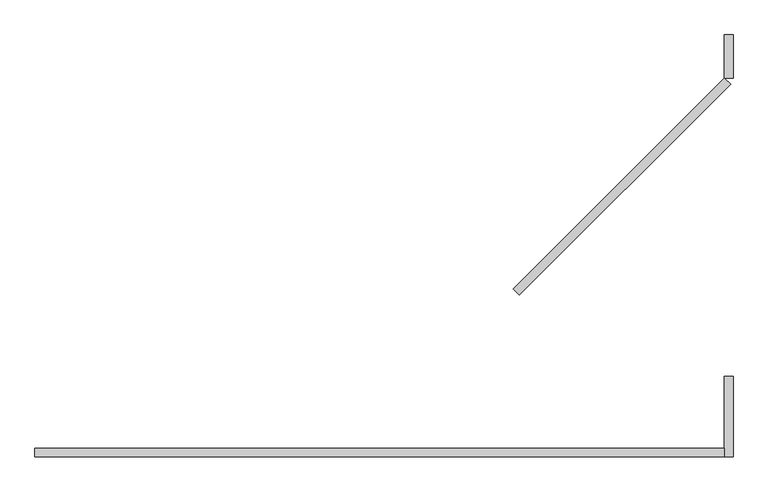
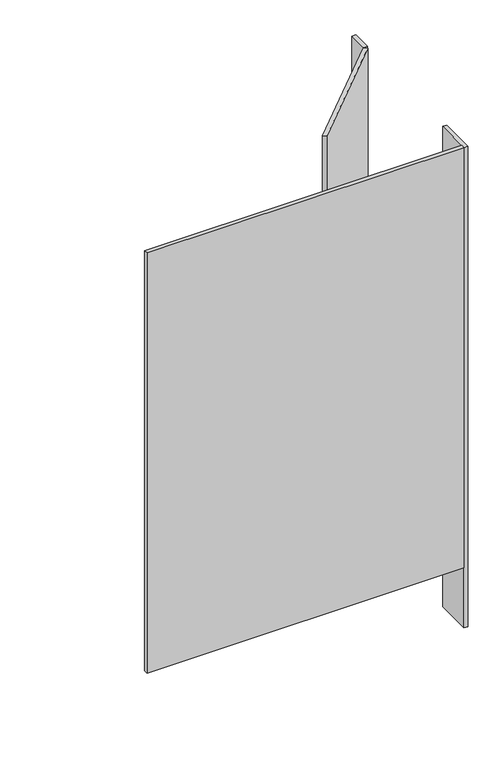
"""IFC4 building model written with IfcOpenShell, lengths in millimetres: proxy geometry."""

from ifc_helpers import new_model, si_unit, frame, origin, origin_with_axes, place, context, project, spatial, polyline, outline, extrude, source, transform, mapped, element, save


def generic_models_bc0544df(model_context):
    return source(origin(), model_context, "Body", "SweptSolid", [
        extrude(outline(polyline([(1070.4970659, -575.6937025), (1057.0266817, -562.2233183), (1524.0, -95.25), (1537.4703842, -108.7203842), (1070.4970659, -575.6937025)])), frame((0.0, 0.0, 304.8), z_axis=(0.0, 0.0, 1.0), x_axis=(1.0, 0.0, 0.0)), (0.0, 0.0, 1.0), 2133.6),
        extrude(outline(polyline([(0.0, -914.4), (1524.0, -914.4), (1524.0, -933.45), (0.0, -933.45), (0.0, -914.4)])), frame((0.0, 0.0, 304.8), z_axis=(0.0, 0.0, 1.0), x_axis=(1.0, 0.0, 0.0)), (0.0, 0.0, 1.0), 2133.6),
        extrude(outline(polyline([(1524.0, -95.25), (1524.0, 0.0), (1543.05, 0.0), (1543.05, -95.25), (1524.0, -95.25)])), frame((0.0, 0.0, 304.8), z_axis=(0.0, 0.0, 1.0), x_axis=(1.0, 0.0, 0.0)), (0.0, 0.0, 1.0), 2133.6),
        extrude(outline(polyline([(1524.0, -933.45), (1524.0, -755.65), (1543.05, -755.65), (1543.05, -933.45), (1524.0, -933.45)])), origin_with_axes(), (0.0, 0.0, 1.0), 2438.4),
    ])


if __name__ == "__main__":
    model = new_model("IFC4")
    model_context = context("Model", 3, world=origin())
    ifc_project = project(units=[si_unit("LENGTHUNIT", "METRE", prefix="MILLI")], contexts=[model_context])
    site = spatial("IfcSite", under=ifc_project)
    building = spatial("IfcBuilding", under=site)
    placement = place(None, origin())
    generic_models_shape = generic_models_bc0544df(model_context)
    element("IfcBuildingElementProxy", 1, Name="Generic Models", at=placement, inside=building, context=model_context, shape_type="MappedRepresentation", body=[
        mapped(generic_models_shape, transform((0.0, 0.0, 0.0), x_axis=(1.0, 0.0, 0.0), y_axis=(0.0, 1.0, 0.0), z_axis=(0.0, 0.0, 1.0))),
    ])
    save(model, "model.ifc")
